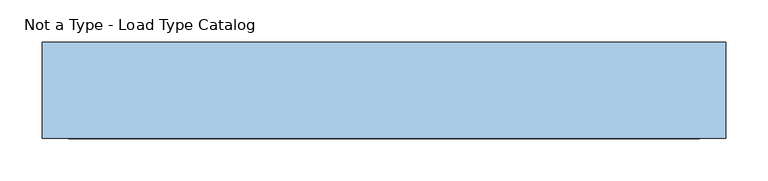
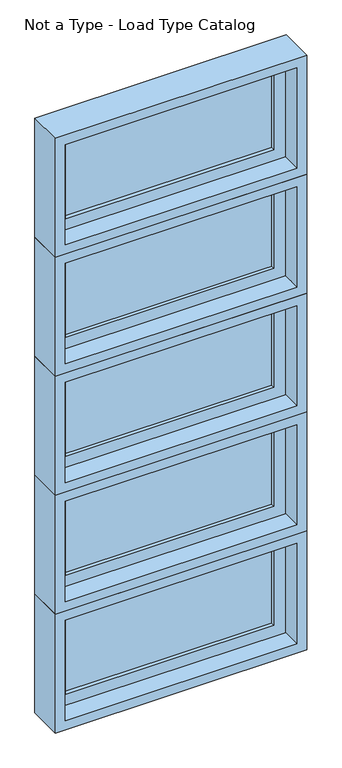
"""IFC4 building model written with IfcOpenShell, lengths in millimetres: window geometry, Not a Type - Load Type Catalog."""

from ifc_helpers import new_model, si_unit, frame, origin, place, context, project, spatial, polyline, outline, extrude, faceted_brep, source, transform, mapped, element, save


def not_a_type_load_type_catalog_00cd0b3c(model_context):
    return source(origin(), model_context, "Body", "SolidModel", [
        faceted_brep([(-1282.2781766, 42.8625, 2552.7), (-494.8781766, 42.8625, 2552.7), (-494.8781766, 93.6625, 2552.7), (-1282.2781766, 93.6625, 2552.7), (-1263.2281766, -20.6375, 2571.75), (-513.9281766, -20.6375, 2571.75), (-513.9281766, 42.8625, 2571.75), (-1263.2281766, 42.8625, 2571.75), (-1294.9781766, 93.6625, 2540.0), (-482.1781766, 93.6625, 2540.0), (-482.1781766, -20.6375, 2540.0), (-1294.9781766, -20.6375, 2540.0), (-494.8781766, 42.8625, 2933.7), (-494.8781766, 93.6625, 2933.7), (-513.9281766, -20.6375, 2914.65), (-513.9281766, 42.8625, 2914.65), (-482.1781766, 93.6625, 2946.4), (-482.1781766, -20.6375, 2946.4), (-1282.2781766, 42.8625, 2933.7), (-1282.2781766, 93.6625, 2933.7), (-1263.2281766, -20.6375, 2914.65), (-1263.2281766, 42.8625, 2914.65), (-1294.9781766, 93.6625, 2946.4), (-1294.9781766, -20.6375, 2946.4)], [[[0, 1, 2, 3]], [[4, 5, 6, 7]], [[8, 9, 10, 11]], [[1, 12, 13, 2]], [[5, 14, 15, 6]], [[9, 16, 17, 10]], [[12, 18, 19, 13]], [[14, 20, 21, 15]], [[16, 22, 23, 17]], [[9, 8, 22, 16], [3, 2, 13, 19]], [[18, 0, 3, 19]], [[1, 0, 18, 12], [7, 6, 15, 21]], [[20, 4, 7, 21]], [[11, 10, 17, 23], [5, 4, 20, 14]], [[22, 8, 11, 23]]]),
        extrude(outline(polyline([(-1225.1281766, 74.6125), (-552.0281766, 74.6125), (-552.0281766, 68.2625), (-1225.1281766, 68.2625), (-1225.1281766, 74.6125)])), frame((0.0, 0.0, 2609.85), z_axis=(0.0, 0.0, 1.0), x_axis=(1.0, 0.0, 0.0)), (0.0, 0.0, 1.0), 266.7),
        extrude(outline(polyline([(-1225.1281766, 61.9125), (-552.0281766, 61.9125), (-552.0281766, 55.5625), (-1225.1281766, 55.5625), (-1225.1281766, 61.9125)])), frame((0.0, 0.0, 2609.85), z_axis=(0.0, 0.0, 1.0), x_axis=(1.0, 0.0, 0.0)), (0.0, 0.0, 1.0), 266.7),
        extrude(outline(polyline([(2552.7, -494.8781766), (2933.7, -494.8781766), (2933.7, -1282.2781766), (2552.7, -1282.2781766), (2552.7, -494.8781766)]), holes=[polyline([(2876.55, -552.0281766), (2609.85, -552.0281766), (2609.85, -1225.1281766), (2876.55, -1225.1281766), (2876.55, -552.0281766)])]), frame((0.0, 42.8625, 0.0), z_axis=(0.0, 1.0, 0.0), x_axis=(0.0, 0.0, 1.0)), (0.0, 0.0, 1.0), 44.45),
        faceted_brep([(-1282.2781766, 42.8625, 2146.3), (-494.8781766, 42.8625, 2146.3), (-494.8781766, 93.6625, 2146.3), (-1282.2781766, 93.6625, 2146.3), (-1263.2281766, -20.6375, 2165.35), (-513.9281766, -20.6375, 2165.35), (-513.9281766, 42.8625, 2165.35), (-1263.2281766, 42.8625, 2165.35), (-1294.9781766, 93.6625, 2133.6), (-482.1781766, 93.6625, 2133.6), (-482.1781766, -20.6375, 2133.6), (-1294.9781766, -20.6375, 2133.6), (-494.8781766, 42.8625, 2527.3), (-494.8781766, 93.6625, 2527.3), (-513.9281766, -20.6375, 2508.25), (-513.9281766, 42.8625, 2508.25), (-482.1781766, 93.6625, 2540.0), (-482.1781766, -20.6375, 2540.0), (-1282.2781766, 42.8625, 2527.3), (-1282.2781766, 93.6625, 2527.3), (-1263.2281766, -20.6375, 2508.25), (-1263.2281766, 42.8625, 2508.25), (-1294.9781766, 93.6625, 2540.0), (-1294.9781766, -20.6375, 2540.0)], [[[0, 1, 2, 3]], [[4, 5, 6, 7]], [[8, 9, 10, 11]], [[1, 12, 13, 2]], [[5, 14, 15, 6]], [[9, 16, 17, 10]], [[12, 18, 19, 13]], [[14, 20, 21, 15]], [[16, 22, 23, 17]], [[9, 8, 22, 16], [3, 2, 13, 19]], [[18, 0, 3, 19]], [[1, 0, 18, 12], [7, 6, 15, 21]], [[20, 4, 7, 21]], [[11, 10, 17, 23], [5, 4, 20, 14]], [[22, 8, 11, 23]]]),
        extrude(outline(polyline([(-1225.1281766, 74.6125), (-552.0281766, 74.6125), (-552.0281766, 68.2625), (-1225.1281766, 68.2625), (-1225.1281766, 74.6125)])), frame((0.0, 0.0, 2203.45), z_axis=(0.0, 0.0, 1.0), x_axis=(1.0, 0.0, 0.0)), (0.0, 0.0, 1.0), 266.7),
        extrude(outline(polyline([(-1225.1281766, 61.9125), (-552.0281766, 61.9125), (-552.0281766, 55.5625), (-1225.1281766, 55.5625), (-1225.1281766, 61.9125)])), frame((0.0, 0.0, 2203.45), z_axis=(0.0, 0.0, 1.0), x_axis=(1.0, 0.0, 0.0)), (0.0, 0.0, 1.0), 266.7),
        extrude(outline(polyline([(2146.3, -494.8781766), (2527.3, -494.8781766), (2527.3, -1282.2781766), (2146.3, -1282.2781766), (2146.3, -494.8781766)]), holes=[polyline([(2470.15, -552.0281766), (2203.45, -552.0281766), (2203.45, -1225.1281766), (2470.15, -1225.1281766), (2470.15, -552.0281766)])]), frame((0.0, 42.8625, 0.0), z_axis=(0.0, 1.0, 0.0), x_axis=(0.0, 0.0, 1.0)), (0.0, 0.0, 1.0), 44.45),
        faceted_brep([(-1282.2781766, 42.8625, 1739.9), (-494.8781766, 42.8625, 1739.9), (-494.8781766, 93.6625, 1739.9), (-1282.2781766, 93.6625, 1739.9), (-1263.2281766, -20.6375, 1758.95), (-513.9281766, -20.6375, 1758.95), (-513.9281766, 42.8625, 1758.95), (-1263.2281766, 42.8625, 1758.95), (-1294.9781766, 93.6625, 1727.2), (-482.1781766, 93.6625, 1727.2), (-482.1781766, -20.6375, 1727.2), (-1294.9781766, -20.6375, 1727.2), (-494.8781766, 42.8625, 2120.9), (-494.8781766, 93.6625, 2120.9), (-513.9281766, -20.6375, 2101.85), (-513.9281766, 42.8625, 2101.85), (-482.1781766, 93.6625, 2133.6), (-482.1781766, -20.6375, 2133.6), (-1282.2781766, 42.8625, 2120.9), (-1282.2781766, 93.6625, 2120.9), (-1263.2281766, -20.6375, 2101.85), (-1263.2281766, 42.8625, 2101.85), (-1294.9781766, 93.6625, 2133.6), (-1294.9781766, -20.6375, 2133.6)], [[[0, 1, 2, 3]], [[4, 5, 6, 7]], [[8, 9, 10, 11]], [[1, 12, 13, 2]], [[5, 14, 15, 6]], [[9, 16, 17, 10]], [[12, 18, 19, 13]], [[14, 20, 21, 15]], [[16, 22, 23, 17]], [[9, 8, 22, 16], [3, 2, 13, 19]], [[18, 0, 3, 19]], [[1, 0, 18, 12], [7, 6, 15, 21]], [[20, 4, 7, 21]], [[11, 10, 17, 23], [5, 4, 20, 14]], [[22, 8, 11, 23]]]),
        extrude(outline(polyline([(-1225.1281766, 74.6125), (-552.0281766, 74.6125), (-552.0281766, 68.2625), (-1225.1281766, 68.2625), (-1225.1281766, 74.6125)])), frame((0.0, 0.0, 1797.05), z_axis=(0.0, 0.0, 1.0), x_axis=(1.0, 0.0, 0.0)), (0.0, 0.0, 1.0), 266.7),
        extrude(outline(polyline([(-1225.1281766, 61.9125), (-552.0281766, 61.9125), (-552.0281766, 55.5625), (-1225.1281766, 55.5625), (-1225.1281766, 61.9125)])), frame((0.0, 0.0, 1797.05), z_axis=(0.0, 0.0, 1.0), x_axis=(1.0, 0.0, 0.0)), (0.0, 0.0, 1.0), 266.7),
        extrude(outline(polyline([(1739.9, -494.8781766), (2120.9, -494.8781766), (2120.9, -1282.2781766), (1739.9, -1282.2781766), (1739.9, -494.8781766)]), holes=[polyline([(2063.75, -552.0281766), (1797.05, -552.0281766), (1797.05, -1225.1281766), (2063.75, -1225.1281766), (2063.75, -552.0281766)])]), frame((0.0, 42.8625, 0.0), z_axis=(0.0, 1.0, 0.0), x_axis=(0.0, 0.0, 1.0)), (0.0, 0.0, 1.0), 44.45),
        faceted_brep([(-1282.2781766, 42.8625, 1333.5), (-494.8781766, 42.8625, 1333.5), (-494.8781766, 93.6625, 1333.5), (-1282.2781766, 93.6625, 1333.5), (-1263.2281766, -20.6375, 1352.55), (-513.9281766, -20.6375, 1352.55), (-513.9281766, 42.8625, 1352.55), (-1263.2281766, 42.8625, 1352.55), (-1294.9781766, 93.6625, 1320.8), (-482.1781766, 93.6625, 1320.8), (-482.1781766, -20.6375, 1320.8), (-1294.9781766, -20.6375, 1320.8), (-494.8781766, 42.8625, 1714.5), (-494.8781766, 93.6625, 1714.5), (-513.9281766, -20.6375, 1695.45), (-513.9281766, 42.8625, 1695.45), (-482.1781766, 93.6625, 1727.2), (-482.1781766, -20.6375, 1727.2), (-1282.2781766, 42.8625, 1714.5), (-1282.2781766, 93.6625, 1714.5), (-1263.2281766, -20.6375, 1695.45), (-1263.2281766, 42.8625, 1695.45), (-1294.9781766, 93.6625, 1727.2), (-1294.9781766, -20.6375, 1727.2)], [[[0, 1, 2, 3]], [[4, 5, 6, 7]], [[8, 9, 10, 11]], [[1, 12, 13, 2]], [[5, 14, 15, 6]], [[9, 16, 17, 10]], [[12, 18, 19, 13]], [[14, 20, 21, 15]], [[16, 22, 23, 17]], [[9, 8, 22, 16], [3, 2, 13, 19]], [[18, 0, 3, 19]], [[1, 0, 18, 12], [7, 6, 15, 21]], [[20, 4, 7, 21]], [[11, 10, 17, 23], [5, 4, 20, 14]], [[22, 8, 11, 23]]]),
        extrude(outline(polyline([(-1225.1281766, 74.6125), (-552.0281766, 74.6125), (-552.0281766, 68.2625), (-1225.1281766, 68.2625), (-1225.1281766, 74.6125)])), frame((0.0, 0.0, 1390.65), z_axis=(0.0, 0.0, 1.0), x_axis=(1.0, 0.0, 0.0)), (0.0, 0.0, 1.0), 266.7),
        extrude(outline(polyline([(-1225.1281766, 61.9125), (-552.0281766, 61.9125), (-552.0281766, 55.5625), (-1225.1281766, 55.5625), (-1225.1281766, 61.9125)])), frame((0.0, 0.0, 1390.65), z_axis=(0.0, 0.0, 1.0), x_axis=(1.0, 0.0, 0.0)), (0.0, 0.0, 1.0), 266.7),
        extrude(outline(polyline([(1333.5, -494.8781766), (1714.5, -494.8781766), (1714.5, -1282.2781766), (1333.5, -1282.2781766), (1333.5, -494.8781766)]), holes=[polyline([(1657.35, -552.0281766), (1390.65, -552.0281766), (1390.65, -1225.1281766), (1657.35, -1225.1281766), (1657.35, -552.0281766)])]), frame((0.0, 42.8625, 0.0), z_axis=(0.0, 1.0, 0.0), x_axis=(0.0, 0.0, 1.0)), (0.0, 0.0, 1.0), 44.45),
        faceted_brep([(-1282.2781766, 42.8625, 927.1), (-494.8781766, 42.8625, 927.1), (-494.8781766, 93.6625, 927.1), (-1282.2781766, 93.6625, 927.1), (-1263.2281766, -20.6375, 946.15), (-513.9281766, -20.6375, 946.15), (-513.9281766, 42.8625, 946.15), (-1263.2281766, 42.8625, 946.15), (-1294.9781766, 93.6625, 914.4), (-482.1781766, 93.6625, 914.4), (-482.1781766, -20.6375, 914.4), (-1294.9781766, -20.6375, 914.4), (-494.8781766, 42.8625, 1308.1), (-494.8781766, 93.6625, 1308.1), (-513.9281766, -20.6375, 1289.05), (-513.9281766, 42.8625, 1289.05), (-482.1781766, 93.6625, 1320.8), (-482.1781766, -20.6375, 1320.8), (-1282.2781766, 42.8625, 1308.1), (-1282.2781766, 93.6625, 1308.1), (-1263.2281766, -20.6375, 1289.05), (-1263.2281766, 42.8625, 1289.05), (-1294.9781766, 93.6625, 1320.8), (-1294.9781766, -20.6375, 1320.8)], [[[0, 1, 2, 3]], [[4, 5, 6, 7]], [[8, 9, 10, 11]], [[1, 12, 13, 2]], [[5, 14, 15, 6]], [[9, 16, 17, 10]], [[12, 18, 19, 13]], [[14, 20, 21, 15]], [[16, 22, 23, 17]], [[9, 8, 22, 16], [3, 2, 13, 19]], [[18, 0, 3, 19]], [[1, 0, 18, 12], [7, 6, 15, 21]], [[20, 4, 7, 21]], [[11, 10, 17, 23], [5, 4, 20, 14]], [[22, 8, 11, 23]]]),
        extrude(outline(polyline([(-1225.1281766, 74.6125), (-552.0281766, 74.6125), (-552.0281766, 68.2625), (-1225.1281766, 68.2625), (-1225.1281766, 74.6125)])), frame((0.0, 0.0, 984.25), z_axis=(0.0, 0.0, 1.0), x_axis=(1.0, 0.0, 0.0)), (0.0, 0.0, 1.0), 266.7),
        extrude(outline(polyline([(-1225.1281766, 61.9125), (-552.0281766, 61.9125), (-552.0281766, 55.5625), (-1225.1281766, 55.5625), (-1225.1281766, 61.9125)])), frame((0.0, 0.0, 984.25), z_axis=(0.0, 0.0, 1.0), x_axis=(1.0, 0.0, 0.0)), (0.0, 0.0, 1.0), 266.7),
        extrude(outline(polyline([(927.1, -494.8781766), (1308.1, -494.8781766), (1308.1, -1282.2781766), (927.1, -1282.2781766), (927.1, -494.8781766)]), holes=[polyline([(1250.95, -552.0281766), (984.25, -552.0281766), (984.25, -1225.1281766), (1250.95, -1225.1281766), (1250.95, -552.0281766)])]), frame((0.0, 42.8625, 0.0), z_axis=(0.0, 1.0, 0.0), x_axis=(0.0, 0.0, 1.0)), (0.0, 0.0, 1.0), 44.45),
    ])


if __name__ == "__main__":
    model = new_model("IFC4")
    model_context = context("Model", 3, world=origin())
    ifc_project = project(units=[si_unit("LENGTHUNIT", "METRE", prefix="MILLI")], contexts=[model_context])
    site = spatial("IfcSite", under=ifc_project)
    building = spatial("IfcBuilding", under=site)
    placement = place(None, origin())
    not_a_type_load_type_catalog_shape = not_a_type_load_type_catalog_00cd0b3c(model_context)
    element("IfcWindow", 1, ObjectType="Not a Type - Load Type Catalog", at=placement, inside=building, context=model_context, shape_type="MappedRepresentation", body=[
        mapped(not_a_type_load_type_catalog_shape, transform((0.0, 0.0, 0.0), x_axis=(1.0, 0.0, 0.0), y_axis=(0.0, 1.0, 0.0), z_axis=(0.0, 0.0, 1.0))),
    ])
    save(model, "model.ifc")
